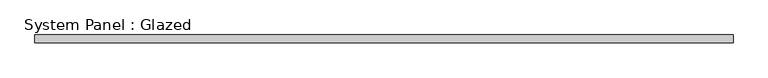
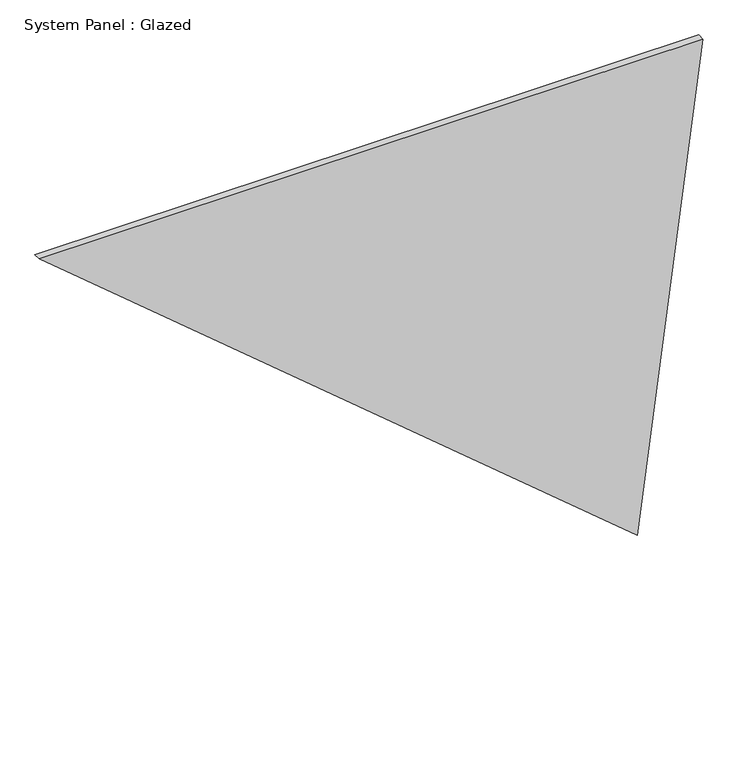
"""IFC4 building model written with IfcOpenShell, lengths in millimetres: plate geometry, System Panel : Glazed."""

from ifc_helpers import new_model, si_unit, frame, origin, place, context, project, spatial, polyline, outline, extrude, source, transform, mapped, element, save


def system_panel_glazed_13189ff9(model_context):
    return source(origin(), model_context, "Body", "SweptSolid", [
        extrude(outline(polyline([(2429.9851186, -1608.9179601), (0.0, 1290.0721623), (2429.9851186, 1608.9179601), (2429.9851186, -1608.9179601)])), frame((0.0, -18.0, 0.0), z_axis=(0.0, 1.0, 0.0), x_axis=(0.0, 0.0, 1.0)), (0.0, 0.0, 1.0), 36.0),
    ])


if __name__ == "__main__":
    model = new_model("IFC4")
    model_context = context("Model", 3, world=origin())
    ifc_project = project(units=[si_unit("LENGTHUNIT", "METRE", prefix="MILLI")], contexts=[model_context])
    site = spatial("IfcSite", under=ifc_project)
    building = spatial("IfcBuilding", under=site)
    placement = place(None, origin())
    system_panel_glazed_shape = system_panel_glazed_13189ff9(model_context)
    element("IfcPlate", 1, ObjectType="System Panel : Glazed", at=placement, inside=building, context=model_context, shape_type="MappedRepresentation", body=[
        mapped(system_panel_glazed_shape, transform((0.0, 0.0, 0.0), x_axis=(1.0, 0.0, 0.0), y_axis=(0.0, 1.0, 0.0), z_axis=(0.0, 0.0, 1.0))),
    ])
    save(model, "model.ifc")
